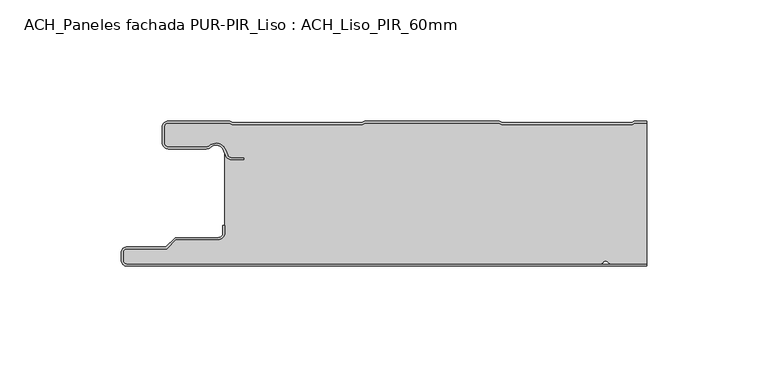
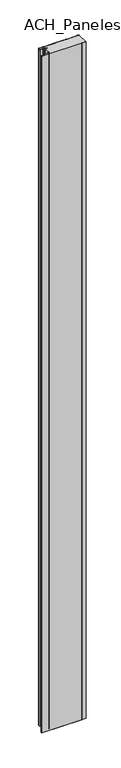
"""IFC4 building model written with IfcOpenShell, lengths in millimetres: plate geometry, ACH_Paneles fachada PUR-PIR_Liso : ACH_Liso_PIR_60mm."""

from ifc_helpers import new_model, si_unit, point, frame_2d, origin, origin_with_axes, place, context, project, spatial, polyline, circle_curve, trimmed, segment, composite_curve, outline, extrude, source, transform, mapped, element, save


def ach_paneles_fachada_pur_pir_liso_ach_liso_pir_60mm_1aee7368(model_context):
    return source(origin(), model_context, "Body", "SweptSolid", [
        extrude(outline(composite_curve([segment(trimmed(circle_curve(frame_2d((-114.5, -57.5)), 2.5), [point((-114.5, -60.0))], [point((-117.0, -57.5))], False, "CARTESIAN"), True, "CONTINUOUS"), segment(polyline([(-117.0, -57.5), (-117.0, -54.5)]), True, "CONTINUOUS"), segment(trimmed(circle_curve(frame_2d((-114.5, -54.5)), 2.5), [point((-117.0, -54.5))], [point((-114.5, -52.0))], False, "CARTESIAN"), True, "CONTINUOUS"), segment(polyline([(-114.5, -52.0), (-98.5, -52.0), (-94.75, -48.25), (-77.0, -48.25)]), True, "CONTINUOUS"), segment(trimmed(circle_curve(frame_2d((-77.0, -46.25)), 2.0), [point((-77.0, -48.25))], [point((-75.0, -46.25))], True, "CARTESIAN"), True, "CONTINUOUS"), segment(polyline([(-75.0, -46.25), (-75.0, -43.25), (-74.2, -43.25), (-74.2, -46.25)]), True, "CONTINUOUS"), segment(trimmed(circle_curve(frame_2d((-77.0, -46.25)), 2.8), [point((-74.2, -46.25))], [point((-77.0, -49.05))], False, "CARTESIAN"), True, "CONTINUOUS"), segment(polyline([(-77.0, -49.05), (-94.4186292, -49.05), (-98.1686292, -52.8), (-114.5, -52.8)]), True, "CONTINUOUS"), segment(trimmed(circle_curve(frame_2d((-114.5, -54.5)), 1.7), [point((-114.5, -52.8))], [point((-116.2, -54.5))], True, "CARTESIAN"), True, "CONTINUOUS"), segment(polyline([(-116.2, -54.5), (-116.2, -57.5)]), True, "CONTINUOUS"), segment(trimmed(circle_curve(frame_2d((-114.5, -57.5)), 1.7), [point((-116.2, -57.5))], [point((-114.5, -59.2))], True, "CARTESIAN"), True, "CONTINUOUS"), segment(polyline([(-114.5, -59.2), (100.0, -59.2), (100.0, -60.0), (-114.5, -60.0)]), True, "CONTINUOUS")], self_intersect=False)), origin_with_axes(), (0.0, 0.0, 1.0), 3500.0),
        extrude(outline(composite_curve([segment(trimmed(circle_curve(frame_2d((-97.49499, -9.0180361)), 2.50501), [point((-97.49499, -11.5230461))], [point((-100.0, -9.0180361))], False, "CARTESIAN"), True, "CONTINUOUS"), segment(polyline([(-100.0, -9.0180361), (-100.0, -2.50501)]), True, "CONTINUOUS"), segment(trimmed(circle_curve(frame_2d((-97.49499, -2.50501)), 2.50501), [point((-100.0, -2.50501))], [point((-97.49499, 0.0))], False, "CARTESIAN"), True, "CONTINUOUS"), segment(polyline([(-97.49499, 0.0), (-72.2103007, 0.0), (-71.028188, -0.6012024), (-17.6391467, -0.6012024), (-16.457034, 0.0), (39.1223647, 0.0), (40.3044773, -0.6012024), (93.6935186, -0.6012024), (94.8756313, 0.0), (100.0, 0.0), (100.0, -0.8), (95.0673777, -0.8), (93.885265, -1.4012024), (40.112731, -1.4012024), (38.9306183, -0.8), (-16.2652876, -0.8), (-17.4474003, -1.4012024), (-71.2199344, -1.4012024), (-72.4020471, -0.8), (-97.49499, -0.8)]), True, "CONTINUOUS"), segment(trimmed(circle_curve(frame_2d((-97.49499, -2.50501)), 1.70501), [point((-97.49499, -0.8))], [point((-99.2, -2.50501))], True, "CARTESIAN"), True, "CONTINUOUS"), segment(polyline([(-99.2, -2.50501), (-99.2, -9.0180361)]), True, "CONTINUOUS"), segment(trimmed(circle_curve(frame_2d((-97.49499, -9.0180361)), 1.70501), [point((-99.2, -9.0180361))], [point((-97.49499, -10.7230461))], True, "CARTESIAN"), True, "CONTINUOUS"), segment(polyline([(-97.49499, -10.7230461), (-81.8173283, -10.7230461)]), True, "CONTINUOUS"), segment(trimmed(circle_curve(frame_2d((-81.8173283, -9.0180361)), 1.70501), [point((-81.8173283, -10.7230461))], [point((-80.6895701, -10.2967936))], True, "CARTESIAN"), True, "CONTINUOUS"), segment(trimmed(circle_curve(frame_2d((-77.8407481, -13.5270541)), 4.307014), [point((-80.6895701, -10.2967936))], [point((-73.7934788, -12.0539686))], False, "CARTESIAN"), True, "CONTINUOUS"), segment(polyline([(-73.7934788, -12.0539686), (-73.0450711, -14.1102019)]), True, "CONTINUOUS"), segment(trimmed(circle_curve(frame_2d((-71.4428858, -13.5270541)), 1.70501), [point((-73.0450711, -14.1102019))], [point((-71.4428858, -15.2320641))], True, "CARTESIAN"), True, "CONTINUOUS"), segment(polyline([(-71.4428858, -15.2320641), (-66.4328657, -15.2320641), (-66.4328657, -16.0320641), (-71.4428858, -16.0320641)]), True, "CONTINUOUS"), segment(trimmed(circle_curve(frame_2d((-71.4428858, -13.5270541)), 2.50501), [point((-71.4428858, -16.0320641))], [point((-73.7968252, -14.383818))], False, "CARTESIAN"), True, "CONTINUOUS"), segment(polyline([(-73.7968252, -14.383818), (-74.5452329, -12.3275847)]), True, "CONTINUOUS"), segment(trimmed(circle_curve(frame_2d((-77.8407481, -13.5270541)), 3.507014), [point((-74.5452329, -12.3275847))], [point((-80.1604199, -10.8967936))], True, "CARTESIAN"), True, "CONTINUOUS"), segment(trimmed(circle_curve(frame_2d((-81.8173283, -9.0180361)), 2.50501), [point((-80.1604199, -10.8967936))], [point((-81.8173283, -11.5230461))], False, "CARTESIAN"), True, "CONTINUOUS"), segment(polyline([(-81.8173283, -11.5230461), (-97.49499, -11.5230461)]), True, "CONTINUOUS")], self_intersect=False)), origin_with_axes(), (0.0, 0.0, 1.0), 3500.0),
        extrude(outline(composite_curve([segment(trimmed(circle_curve(frame_2d((85.5, -57.5)), 1.7), [point((85.5, -59.2))], [point((84.0845596, -58.4415563))], False, "CARTESIAN"), True, "CONTINUOUS"), segment(trimmed(circle_curve(frame_2d((83.0, -59.1630095)), 1.302599), [point((84.0845596, -58.4415563))], [point((81.9154404, -58.4415563))], True, "CARTESIAN"), True, "CONTINUOUS"), segment(trimmed(circle_curve(frame_2d((80.5, -57.5)), 1.7), [point((81.9154404, -58.4415563))], [point((80.5, -59.2))], False, "CARTESIAN"), True, "CONTINUOUS"), segment(polyline([(80.5, -59.2), (-114.5, -59.2)]), True, "CONTINUOUS"), segment(trimmed(circle_curve(frame_2d((-114.5, -57.5)), 1.7), [point((-114.5, -59.2))], [point((-116.2, -57.5))], False, "CARTESIAN"), True, "CONTINUOUS"), segment(polyline([(-116.2, -57.5), (-116.2, -54.5)]), True, "CONTINUOUS"), segment(trimmed(circle_curve(frame_2d((-114.5, -54.5)), 1.7), [point((-116.2, -54.5))], [point((-114.5, -52.8))], False, "CARTESIAN"), True, "CONTINUOUS"), segment(polyline([(-114.5, -52.8), (-98.1686292, -52.8), (-94.4186292, -49.05), (-77.0, -49.05)]), True, "CONTINUOUS"), segment(trimmed(circle_curve(frame_2d((-77.0, -46.25)), 2.8), [point((-77.0, -49.05))], [point((-74.2, -46.25))], True, "CARTESIAN"), True, "CONTINUOUS"), segment(polyline([(-74.2, -46.25), (-74.2, -11.2258973)]), True, "CONTINUOUS"), segment(trimmed(circle_curve(frame_2d((-77.8407481, -13.5270541)), 4.307014), [point((-74.2, -11.2258973))], [point((-80.6895701, -10.2967936))], True, "CARTESIAN"), True, "CONTINUOUS"), segment(trimmed(circle_curve(frame_2d((-81.8173283, -9.0180361)), 1.70501), [point((-80.6895701, -10.2967936))], [point((-81.8173283, -10.7230461))], False, "CARTESIAN"), True, "CONTINUOUS"), segment(polyline([(-81.8173283, -10.7230461), (-97.49499, -10.7230461)]), True, "CONTINUOUS"), segment(trimmed(circle_curve(frame_2d((-97.49499, -9.0180361)), 1.70501), [point((-97.49499, -10.7230461))], [point((-99.2, -9.0180361))], False, "CARTESIAN"), True, "CONTINUOUS"), segment(polyline([(-99.2, -9.0180361), (-99.2, -2.50501)]), True, "CONTINUOUS"), segment(trimmed(circle_curve(frame_2d((-97.49499, -2.50501)), 1.70501), [point((-99.2, -2.50501))], [point((-97.49499, -0.8))], False, "CARTESIAN"), True, "CONTINUOUS"), segment(polyline([(-97.49499, -0.8), (-72.4020471, -0.8), (-71.2199344, -1.4012024), (-17.4474003, -1.4012024), (-16.2652876, -0.8), (38.9306183, -0.8), (40.112731, -1.4012024), (93.885265, -1.4012024), (95.0673777, -0.8), (100.0, -0.8), (100.0, -59.2), (85.5, -59.2)]), True, "CONTINUOUS")], self_intersect=False)), origin_with_axes(), (0.0, 0.0, 1.0), 3500.0),
    ])


if __name__ == "__main__":
    model = new_model("IFC4")
    model_context = context("Model", 3, world=origin())
    ifc_project = project(units=[si_unit("LENGTHUNIT", "METRE", prefix="MILLI")], contexts=[model_context])
    site = spatial("IfcSite", under=ifc_project)
    building = spatial("IfcBuilding", under=site)
    placement = place(None, origin())
    ach_paneles_fachada_pur_pir_liso_ach_liso_pir_60mm_shape = ach_paneles_fachada_pur_pir_liso_ach_liso_pir_60mm_1aee7368(model_context)
    element("IfcPlate", 1, ObjectType="ACH_Paneles fachada PUR-PIR_Liso : ACH_Liso_PIR_60mm", at=placement, inside=building, context=model_context, shape_type="MappedRepresentation", body=[
        mapped(ach_paneles_fachada_pur_pir_liso_ach_liso_pir_60mm_shape, transform((0.0, 0.0, 0.0), x_axis=(1.0, 0.0, 0.0), y_axis=(0.0, 1.0, 0.0), z_axis=(0.0, 0.0, 1.0))),
    ])
    save(model, "model.ifc")
